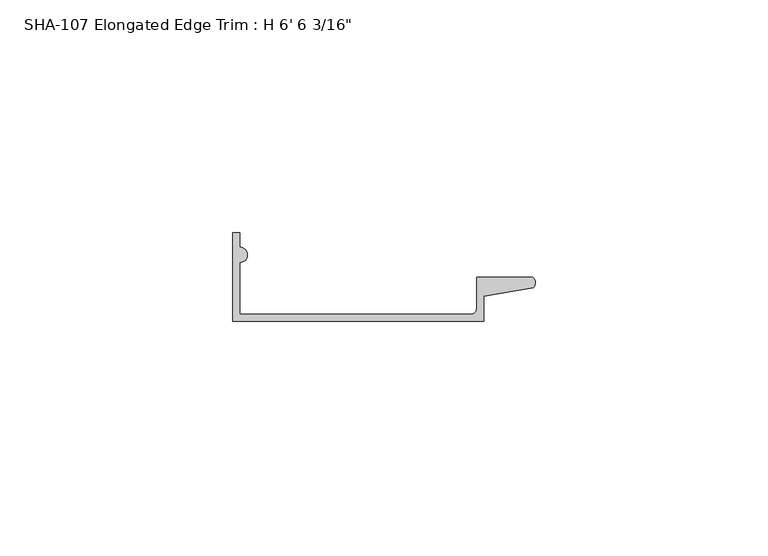
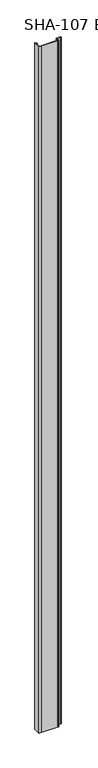
"""IFC4 building model written with IfcOpenShell, lengths in millimetres: proxy geometry."""

from ifc_helpers import new_model, si_unit, point, frame_2d, origin, origin_with_axes, place, context, project, spatial, polyline, circle_curve, trimmed, segment, composite_curve, outline, extrude, source, transform, mapped, element, save


def proxy_5f774fd6(model_context):
    return source(origin(), model_context, "Body", "SweptSolid", [
        extrude(outline(composite_curve([segment(trimmed(circle_curve(frame_2d((51.1493937, -16.3036238)), 1.2260608), [point((51.1493937, -17.5296846))], [point((52.3754545, -16.3036238))], True, "CARTESIAN"), True, "CONTINUOUS"), segment(polyline([(52.3754545, -16.3036238), (52.3754545, -9.525), (64.4602576, -9.525)]), True, "CONTINUOUS"), segment(trimmed(circle_curve(frame_2d((63.3694999, -10.7176765)), 1.6162393), [point((64.4602576, -9.525))], [point((64.5263414, -11.8463692))], False, "CARTESIAN"), True, "CONTINUOUS"), segment(polyline([(64.5263414, -11.8463692), (53.8957699, -13.6666726), (53.8957699, -19.05), (7.5462543, -19.05), (0.0, -19.05), (0.0, 0.0), (1.5203154, 0.0), (1.5203154, -3.1078154)]), True, "CONTINUOUS"), segment(trimmed(circle_curve(frame_2d((1.5203154, -4.7625)), 1.6546846), [point((1.5203154, -3.1078154))], [point((1.5203154, -6.4171846))], False, "CARTESIAN"), True, "CONTINUOUS"), segment(polyline([(1.5203154, -6.4171846), (1.5203154, -17.5296846), (7.5462543, -17.5296846), (51.1493937, -17.5296846)]), True, "CONTINUOUS")], self_intersect=False)), origin_with_axes(), (0.0, 0.0, 1.0), 1985.9625),
    ])


if __name__ == "__main__":
    model = new_model("IFC4")
    model_context = context("Model", 3, world=origin())
    ifc_project = project(units=[si_unit("LENGTHUNIT", "METRE", prefix="MILLI")], contexts=[model_context])
    site = spatial("IfcSite", under=ifc_project)
    building = spatial("IfcBuilding", under=site)
    placement = place(None, origin())
    proxy_shape = proxy_5f774fd6(model_context)
    element("IfcBuildingElementProxy", 1, Name="SHA-107 Elongated Edge Trim : H 6' 6 3/16\"", ObjectType="SHA-107 Elongated Edge Trim : H 6' 6 3/16\"", at=placement, inside=building, context=model_context, shape_type="MappedRepresentation", body=[
        mapped(proxy_shape, transform((0.0, 0.0, 0.0), x_axis=(1.0, 0.0, 0.0), y_axis=(0.0, 1.0, 0.0), z_axis=(0.0, 0.0, 1.0))),
    ])
    save(model, "model.ifc")
